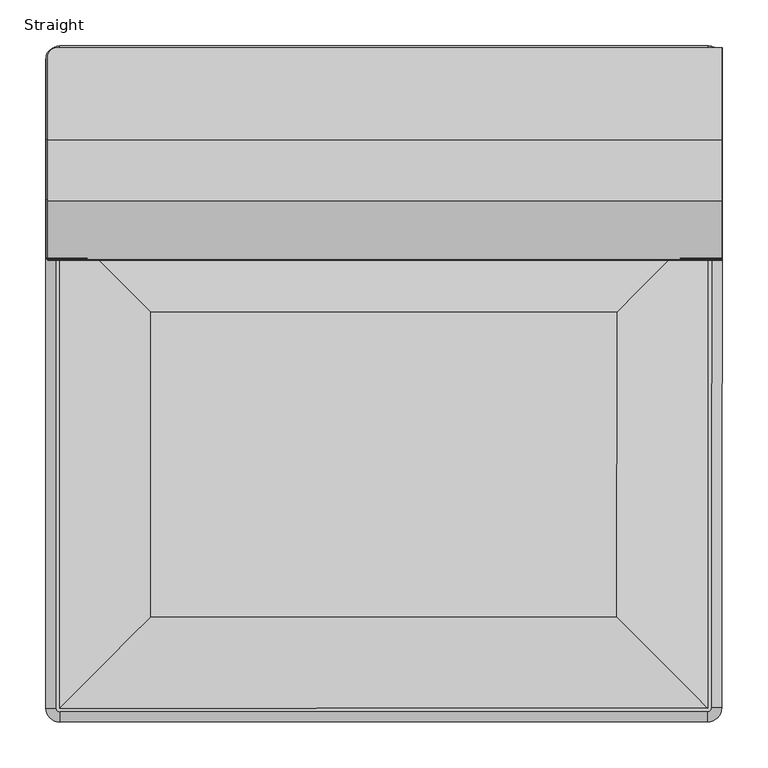
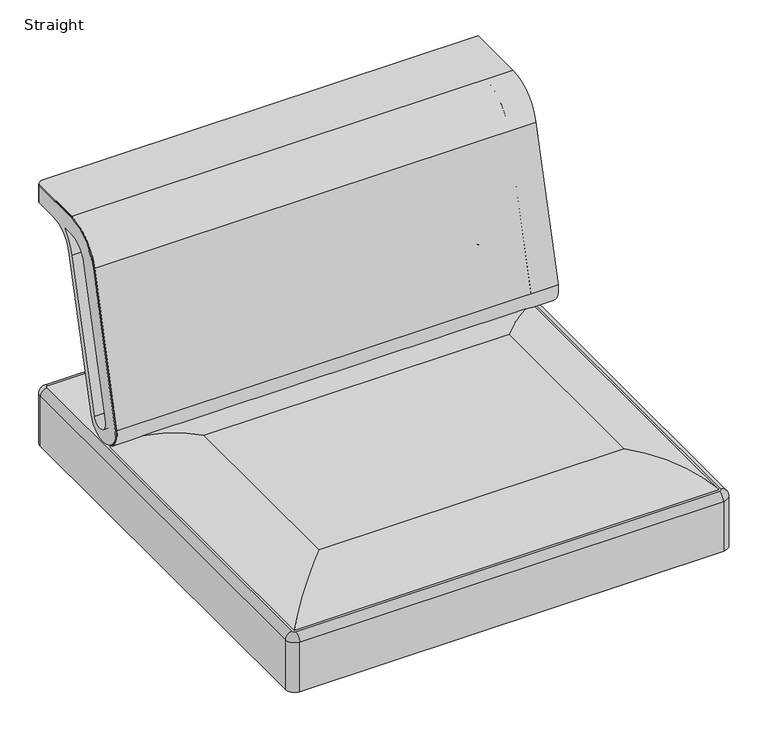
"""IFC4 building model written with IfcOpenShell, lengths in millimetres: furniture geometry, Straight."""

from ifc_helpers import new_model, si_unit, point, frame, origin, place, context, project, spatial, polyline, circle_curve, ellipse_curve, trimmed, outline, extrude, source, transform, mapped, element, save
from ifc_brep_helpers import plane_surface, cylinder_surface, revolved_surface, extruded_surface, advanced_brep


def straight_392923a3(model_context):
    return source(origin(), model_context, "Body", "SolidModel", [
        advanced_brep(
        [(130.5113058, -206.6880744, 407.9918445), (63.4051134, -206.6880744, 407.9918445), (130.5113058, -206.6880744, 381.0), (63.4051134, -206.6880744, 381.0)],
        [
            (0, 1, ellipse_curve(frame((96.9582096, -206.6880744, 407.9918445), z_axis=(0.0, 0.0, 1.0), x_axis=(-1.0, 0.0, 0.0)), 33.5530962, 13.5066429)),
            (1, 0, ellipse_curve(frame((96.9582096, -206.6880744, 407.9918445), z_axis=(0.0, 0.0, 1.0), x_axis=(-1.0, 0.0, 0.0)), 33.5530962, 13.5066429)),
            (2, 3, ellipse_curve(frame((96.9582096, -206.6880744, 381.0), z_axis=(0.0, 0.0, -1.0), x_axis=(-1.0, 0.0, 0.0)), 33.5530962, 13.5066429)),
            (3, 2, ellipse_curve(frame((96.9582096, -206.6880744, 381.0), z_axis=(0.0, 0.0, -1.0), x_axis=(-1.0, 0.0, 0.0)), 33.5530962, 13.5066429)),
            (0, 2),
            (3, 1),
        ],
        [
            plane_surface(frame((63.4051134, -206.6880744, 407.9918445), z_axis=(0.0, 0.0, 1.0), x_axis=(0.0, -1.0, 0.0))),
            plane_surface(frame((63.4051134, -206.6880744, 381.0), z_axis=(0.0, 0.0, -1.0), x_axis=(0.0, 1.0, 0.0))),
            extruded_surface(trimmed(ellipse_curve(frame((96.9582096, -206.6880744, 354.0081555), z_axis=(0.0, 0.0, 1.0), x_axis=(-1.0, 0.0, 0.0)), 33.5530962, 13.5066429), [point((130.5113058, -206.6880744, 354.0081555))], [point((63.4051134, -206.6880744, 354.0081555))], True, "CARTESIAN"), (0.0, 0.0, 26.991844500000013), 26.991844500000013),
            extruded_surface(trimmed(ellipse_curve(frame((96.9582096, -206.6880744, 354.0081555), z_axis=(0.0, 0.0, 1.0), x_axis=(-1.0, 0.0, 0.0)), 33.5530962, 13.5066429), [point((63.4051134, -206.6880744, 354.0081555))], [point((130.5113058, -206.6880744, 354.0081555))], True, "CARTESIAN"), (0.0, 0.0, 26.991844500000013), 26.991844500000013),
        ],
        [
            (0, [[1, 2]]),
            (1, [[3, 4]]),
            (2, [[-1, 5, -4, 6]]),
            (3, [[-2, -6, -3, -5]]),
        ],
    ),
        extrude(outline(polyline([(700.0617181, -54.856228), (700.0617181, -602.7850196), (602.7543219, -700.0924158), (132.574927, -700.0924158), (35.2675285, -602.7850196), (35.2675285, -54.856228), (60.6675292, -80.256231), (60.6675292, -173.6524742), (674.6617423, -173.6524742), (674.6617423, -80.256231), (700.0617181, -54.856228)]), holes=[polyline([(592.2333071, -674.69244), (674.6617423, -592.2640048), (674.6617423, -199.0524682), (60.6675292, -199.0524682), (60.6675292, -592.2640048), (143.0959508, -674.69244), (592.2333071, -674.69244)])]), frame((0.0, 0.0, 282.440064), z_axis=(0.0, 0.0, 1.0), x_axis=(1.0, 0.0, 0.0)), (0.0, 0.0, 1.0), 47.7899994),
        extrude(outline(polyline([(61.8867317, -34.9299279), (673.442558, -34.9299279), (644.669823, -63.7026675), (90.6594713, -63.7026675), (61.8867317, -34.9299279)])), frame((0.0, 0.0, 282.440064), z_axis=(0.0, 0.0, 1.0), x_axis=(1.0, 0.0, 0.0)), (0.0, 0.0, 1.0), 47.7899994),
        advanced_brep(
        [(674.2300558, -206.6880744, 407.9918445), (607.1238634, -206.6880744, 407.9918445), (674.2300558, -206.6880744, 381.0), (607.1238634, -206.6880744, 381.0)],
        [
            (0, 1, ellipse_curve(frame((640.6769596, -206.6880744, 407.9918445), z_axis=(0.0, 0.0, 1.0), x_axis=(-1.0, 0.0, 0.0)), 33.5530962, 13.5066429)),
            (1, 0, ellipse_curve(frame((640.6769596, -206.6880744, 407.9918445), z_axis=(0.0, 0.0, 1.0), x_axis=(-1.0, 0.0, 0.0)), 33.5530962, 13.5066429)),
            (2, 3, ellipse_curve(frame((640.6769596, -206.6880744, 381.0), z_axis=(0.0, 0.0, -1.0), x_axis=(-1.0, 0.0, 0.0)), 33.5530962, 13.5066429)),
            (3, 2, ellipse_curve(frame((640.6769596, -206.6880744, 381.0), z_axis=(0.0, 0.0, -1.0), x_axis=(-1.0, 0.0, 0.0)), 33.5530962, 13.5066429)),
            (0, 2),
            (3, 1),
        ],
        [
            plane_surface(frame((607.1238634, -206.6880744, 407.9918445), z_axis=(0.0, 0.0, 1.0), x_axis=(0.0, -1.0, 0.0))),
            plane_surface(frame((607.1238634, -206.6880744, 381.0), z_axis=(0.0, 0.0, -1.0), x_axis=(0.0, 1.0, 0.0))),
            extruded_surface(trimmed(ellipse_curve(frame((640.6769596, -206.6880744, 354.0081555), z_axis=(0.0, 0.0, 1.0), x_axis=(-1.0, 0.0, 0.0)), 33.5530962, 13.5066429), [point((674.2300558, -206.6880744, 354.0081555))], [point((607.1238634, -206.6880744, 354.0081555))], True, "CARTESIAN"), (0.0, 0.0, 26.991844500000013), 26.991844500000013),
            extruded_surface(trimmed(ellipse_curve(frame((640.6769596, -206.6880744, 354.0081555), z_axis=(0.0, 0.0, 1.0), x_axis=(-1.0, 0.0, 0.0)), 33.5530962, 13.5066429), [point((607.1238634, -206.6880744, 354.0081555))], [point((674.2300558, -206.6880744, 354.0081555))], True, "CARTESIAN"), (0.0, 0.0, 26.991844500000013), 26.991844500000013),
        ],
        [
            (0, [[1, 2]]),
            (1, [[3, 4]]),
            (2, [[-1, 5, -4, 6]]),
            (3, [[-2, -6, -3, -5]]),
        ],
    ),
        advanced_brep(
        [(736.2177921, -721.0125213, 369.57), (736.2177921, -721.0125213, 282.440064), (736.5919407, -15.2480792, 282.440064), (736.5919407, -15.2480792, 369.57), (722.1505272, -15.2404234, 282.440064), (721.7763786, -721.0048654, 282.440064), (721.7763786, -721.0048654, 335.7265923), (722.1505272, -15.2404234, 335.7265923), (721.3519429, 0.0, 369.57), (721.3519429, 0.0, 282.440064), (15.24, 0.0, 282.440064), (15.24, 0.0, 369.57), (15.24, -14.4414156, 282.440064), (721.3519429, -14.4414156, 282.440064), (721.3519429, -14.4414156, 335.7265923), (15.24, -14.4414156, 335.7265923), (0.0, -15.24, 369.57), (0.0, -15.24, 282.440064), (0.0, -721.3525061, 282.440064), (0.0, -721.3525061, 369.57), (14.4414156, -721.3525061, 282.440064), (14.4414156, -15.24, 282.440064), (14.4414156, -15.24, 335.7265923), (14.4414156, -721.3525061, 335.7265923), (15.2475162, -736.5925043, 369.57), (15.2475162, -736.5925043, 282.440064), (720.9853105, -736.2444402, 282.440064), (720.9853105, -736.2444402, 369.57), (720.9781881, -721.8030264, 282.440064), (15.2403939, -722.1510905, 282.440064), (15.2403939, -722.1510905, 335.7265923), (720.9781881, -721.8030264, 335.7265923), (721.3519429, -11.43, 381.0), (15.24, -11.43, 381.0), (11.43, -15.24, 381.0), (11.43, -721.3525061, 381.0), (15.2418791, -725.1625057, 381.0), (720.9796733, -724.8144416, 381.0), (724.7877937, -721.0064619, 381.0), (725.1619423, -15.2420198, 381.0)],
        [
            (0, 1),
            (1, 2),
            (2, 3),
            (3, 0),
            (4, 5),
            (5, 6),
            (6, 7),
            (7, 4),
            (8, 9),
            (9, 10),
            (10, 11),
            (11, 8),
            (12, 13),
            (13, 14),
            (14, 15),
            (15, 12),
            (16, 17),
            (17, 18),
            (18, 19),
            (19, 16),
            (20, 21),
            (21, 22),
            (22, 23),
            (23, 20),
            (24, 25),
            (25, 26),
            (26, 27),
            (27, 24),
            (28, 29),
            (29, 30),
            (30, 31),
            (31, 28),
            (6, 31, circle_curve(frame((720.9777943, -721.0044421, 335.7265923), z_axis=(0.0, 0.0, -1.0), x_axis=(0.0004931917174324377, -0.9999998783809575, 0.0)), 0.7985844)),
            (30, 23, circle_curve(frame((15.24, -721.3525061, 335.7265923), z_axis=(0.0, 0.0, -1.0), x_axis=(-1.0, 0.0, 0.0)), 0.7985844)),
            (22, 15, circle_curve(frame((15.24, -15.24, 335.7265923), z_axis=(0.0, 0.0, -1.0), x_axis=(0.0, 1.0, 0.0)), 0.7985844)),
            (14, 7, circle_curve(frame((721.3519429, -15.24, 335.7265923), z_axis=(0.0, 0.0, -1.0), x_axis=(0.9999998594798424, -0.0005301323377194341, 0.0)), 0.7985844)),
            (0, 27, circle_curve(frame((720.9777943, -721.0044421, 369.57), z_axis=(0.0, 0.0, -1.0), x_axis=(0.0004931917174324377, -0.9999998783809575, 0.0)), 15.24)),
            (26, 1, circle_curve(frame((720.9777943, -721.0044421, 282.440064), z_axis=(0.0, 0.0, 1.0), x_axis=(0.0004931917174324377, -0.9999998783809575, 0.0)), 15.24)),
            (5, 28, circle_curve(frame((720.9777943, -721.0044421, 282.440064), z_axis=(0.0, 0.0, -1.0), x_axis=(0.0004931917174324377, -0.9999998783809575, 0.0)), 0.7985844)),
            (2, 9, circle_curve(frame((721.3519429, -15.24, 282.440064), z_axis=(0.0, 0.0, 1.0), x_axis=(0.9999998594798424, -0.0005301323377194341, 0.0)), 15.24)),
            (8, 3, circle_curve(frame((721.3519429, -15.24, 369.57), z_axis=(0.0, 0.0, -1.0), x_axis=(0.9999998594798424, -0.0005301323377194341, 0.0)), 15.24)),
            (13, 4, circle_curve(frame((721.3519429, -15.24, 282.440064), z_axis=(0.0, 0.0, -1.0), x_axis=(0.9999998594798424, -0.0005301323377194341, 0.0)), 0.7985844)),
            (10, 17, circle_curve(frame((15.24, -15.24, 282.440064), z_axis=(0.0, 0.0, 1.0), x_axis=(0.0, 1.0, 0.0)), 15.24)),
            (16, 11, circle_curve(frame((15.24, -15.24, 369.57), z_axis=(0.0, 0.0, -1.0), x_axis=(0.0, 1.0, 0.0)), 15.24)),
            (21, 12, circle_curve(frame((15.24, -15.24, 282.440064), z_axis=(0.0, 0.0, -1.0), x_axis=(0.0, 1.0, 0.0)), 0.7985844)),
            (18, 25, circle_curve(frame((15.24, -721.3525061, 282.440064), z_axis=(0.0, 0.0, 1.0), x_axis=(-1.0, 0.0, 0.0)), 15.24)),
            (24, 19, circle_curve(frame((15.24, -721.3525061, 369.57), z_axis=(0.0, 0.0, -1.0), x_axis=(-1.0, 0.0, 0.0)), 15.24)),
            (32, 33),
            (33, 34, circle_curve(frame((15.24, -15.24, 381.0), z_axis=(0.0, 0.0, 1.0), x_axis=(0.0, 1.0, 0.0)), 3.81)),
            (34, 35),
            (35, 36, circle_curve(frame((15.24, -721.3525061, 381.0), z_axis=(0.0, 0.0, 1.0), x_axis=(-1.0, 0.0, 0.0)), 3.81)),
            (36, 37),
            (37, 38, circle_curve(frame((720.9777943, -721.0044421, 381.0), z_axis=(0.0, 0.0, 1.0), x_axis=(0.0004931917174324377, -0.9999998783809575, 0.0)), 3.81)),
            (38, 39),
            (39, 32, circle_curve(frame((721.3519429, -15.24, 381.0), z_axis=(0.0, 0.0, 1.0), x_axis=(0.9999998594798424, -0.0005301323377194341, 0.0)), 3.81)),
            (29, 20, circle_curve(frame((15.24, -721.3525061, 282.440064), z_axis=(0.0, 0.0, -1.0), x_axis=(-1.0, 0.0, 0.0)), 0.7985844)),
            (0, 38, circle_curve(frame((724.7877937, -721.0064619, 369.57), z_axis=(-0.0005301323376879039, -0.9999998594798424, 0.0), x_axis=(-0.9999998594798424, 0.0005301323376879039, 0.0)), 11.43)),
            (37, 27, circle_curve(frame((720.9796733, -724.8144416, 369.57), z_axis=(0.9999998783809575, 0.0004931917174324375, 0.0), x_axis=(-0.0004931917174324375, 0.9999998783809575, 0.0)), 11.43)),
            (3, 39, circle_curve(frame((725.1619423, -15.2420198, 369.57), z_axis=(-0.0005301323376817311, -0.9999998594798425, 0.0), x_axis=(-0.9999998594798425, 0.0005301323376817311, 0.0)), 11.43)),
            (8, 32, circle_curve(frame((721.3519429, -11.43, 369.57), z_axis=(1.0, 0.0, 0.0), x_axis=(0.0, -1.0, 0.0)), 11.43)),
            (11, 33, circle_curve(frame((15.24, -11.43, 369.57), z_axis=(1.0, 0.0, 0.0), x_axis=(0.0, -1.0, 0.0)), 11.43)),
            (16, 34, circle_curve(frame((11.43, -15.24, 369.57), z_axis=(0.0, 1.0, 0.0), x_axis=(1.0, 0.0, 0.0)), 11.43)),
            (19, 35, circle_curve(frame((11.43, -721.3525061, 369.57), z_axis=(0.0, 1.0, 0.0), x_axis=(1.0, 0.0, 0.0)), 11.43)),
            (24, 36, circle_curve(frame((15.2418791, -725.1625057, 369.57), z_axis=(-0.9999998783809575, -0.0004931917174333255, 0.0), x_axis=(-0.0004931917174333255, 0.9999998783809575, 0.0)), 11.43)),
        ],
        [
            plane_surface(frame((736.2177921, -721.0125213, 282.440064), z_axis=(0.9999998594798424, -0.0005301323376816982, 0.0), x_axis=(0.0005301323376816982, 0.9999998594798424, 0.0))),
            plane_surface(frame((721.7763786, -721.0048654, 381.0), z_axis=(-0.9999998594798424, 0.0005301323376816982, 0.0), x_axis=(0.0005301323376816982, 0.9999998594798424, 0.0))),
            plane_surface(frame((721.3519429, 0.0, 282.440064), z_axis=(0.0, 1.0, 0.0), x_axis=(-1.0, 0.0, 0.0))),
            plane_surface(frame((721.3519429, -14.4414156, 381.0), z_axis=(0.0, -1.0, 0.0), x_axis=(-1.0, 0.0, 0.0))),
            plane_surface(frame((0.0, -15.24, 282.440064), z_axis=(-1.0, 0.0, 0.0), x_axis=(0.0, -1.0, 0.0))),
            plane_surface(frame((14.4414156, -15.24, 381.0), z_axis=(1.0, 0.0, 0.0), x_axis=(0.0, -1.0, 0.0))),
            plane_surface(frame((15.2475162, -736.5925043, 282.440064), z_axis=(0.0004931917174394407, -0.9999998783809576, 0.0), x_axis=(0.9999998783809576, 0.0004931917174394407, 0.0))),
            plane_surface(frame((15.2403939, -722.1510905, 381.0), z_axis=(-0.0004931917174394408, 0.9999998783809576, 0.0), x_axis=(0.9999998783809576, 0.0004931917174394408, 0.0))),
            plane_surface(frame((14.4414156, -721.3525061, 335.7265923), z_axis=(0.0, 0.0, -1.0), x_axis=(0.0, 1.0, 0.0))),
            cylinder_surface(frame((720.9777943, -721.0044421, 381.0), z_axis=(0.0, 0.0, 1.0), x_axis=(0.0004931917174324377, -0.9999998783809575, 0.0)), 15.24),
            revolved_surface(polyline([(720.9781881552118, -721.803026402877, 335.7265923), (720.9781881552118, -721.803026402877, 282.440064)]), (720.9777943, -721.0044421, 381.0), (0.0, 0.0, 1.0)),
            cylinder_surface(frame((721.3519429, -15.24, 381.0), z_axis=(0.0, 0.0, 1.0), x_axis=(0.9999998594798424, -0.0005301323377194341, 0.0)), 15.24),
            revolved_surface(polyline([(722.1505271877828, -15.240423355414839, 335.7265923), (722.1505271877828, -15.240423355414839, 282.440064)]), (721.3519429, -15.24, 381.0), (0.0, 0.0, 1.0)),
            cylinder_surface(frame((15.24, -15.24, 381.0), z_axis=(0.0, 0.0, 1.0), x_axis=(0.0, 1.0, 0.0)), 15.24),
            revolved_surface(polyline([(15.24, -14.441415600000001, 335.7265923), (15.24, -14.441415600000001, 282.440064)]), (15.24, -15.24, 381.0), (0.0, 0.0, 1.0)),
            cylinder_surface(frame((15.24, -721.3525061, 381.0), z_axis=(0.0, 0.0, 1.0), x_axis=(-1.0, 0.0, 0.0)), 15.24),
            plane_surface(frame((15.24, -721.3525061, 381.0), z_axis=(0.0, 0.0, 1.0), x_axis=(-1.0, 0.0, 0.0))),
            revolved_surface(polyline([(14.441415600000001, -721.3525061, 335.7265923), (14.441415600000001, -721.3525061, 282.440064)]), (15.24, -721.3525061, 381.0), (0.0, 0.0, 1.0)),
            plane_surface(frame((15.24, -721.3525061, 282.440064), z_axis=(0.0, 0.0, -1.0), x_axis=(-1.0, 0.0, 0.0))),
            revolved_surface(trimmed(ellipse_curve(frame((720.9796733, -724.8144416, 369.57), z_axis=(-0.9999998783809575, -0.0004931917174324375, 0.0), x_axis=(-0.0004931917174324375, 0.9999998783809575, 0.0)), 11.43, 11.43), [point((720.9853105, -736.2444402, 369.57))], [point((720.9796733, -724.8144416, 381.0))], True, "CARTESIAN"), (720.9777943, -721.0044421, 381.0), (0.0, 0.0, 1.0)),
            cylinder_surface(frame((724.7877937, -721.0064619, 369.57), z_axis=(-0.0005301323376817311, -0.9999998594798425, 0.0), x_axis=(-0.9999998594798425, 0.0005301323376817311, 0.0)), 11.43),
            revolved_surface(trimmed(ellipse_curve(frame((725.1619423, -15.2420198, 369.57), z_axis=(-0.0005301323377194344, -0.9999998594798424, 0.0), x_axis=(-0.9999998594798424, 0.0005301323377194344, 0.0)), 11.43, 11.43), [point((736.5919407, -15.2480792, 369.57))], [point((725.1619423, -15.2420198, 381.0))], True, "CARTESIAN"), (721.3519429, -15.24, 381.0), (0.0, 0.0, 1.0)),
            cylinder_surface(frame((721.3519429, -11.43, 369.57), z_axis=(1.0, 0.0, 0.0), x_axis=(0.0, -1.0, 0.0)), 11.43),
            revolved_surface(trimmed(ellipse_curve(frame((15.24, -11.43, 369.57), z_axis=(1.0, 0.0, 0.0), x_axis=(0.0, -1.0, 0.0)), 11.43, 11.43), [point((15.24, 0.0, 369.57))], [point((15.24, -11.43, 381.0))], True, "CARTESIAN"), (15.24, -15.24, 381.0), (0.0, 0.0, 1.0)),
            cylinder_surface(frame((11.43, -15.24, 369.57), z_axis=(0.0, 1.0, 0.0), x_axis=(1.0, 0.0, 0.0)), 11.43),
            revolved_surface(trimmed(ellipse_curve(frame((11.43, -721.3525061, 369.57), z_axis=(0.0, 1.0, 0.0), x_axis=(1.0, 0.0, 0.0)), 11.43, 11.43), [point((0.0, -721.3525061, 369.57))], [point((11.43, -721.3525061, 381.0))], True, "CARTESIAN"), (15.24, -721.3525061, 381.0), (0.0, 0.0, 1.0)),
            cylinder_surface(frame((15.2418791, -725.1625057, 369.57), z_axis=(-0.9999998783809575, -0.0004931917174395179, 0.0), x_axis=(-0.0004931917174395179, 0.9999998783809575, 0.0)), 11.43),
        ],
        [
            (0, [[1, 2, 3, 4]]),
            (1, [[5, 6, 7, 8]]),
            (2, [[9, 10, 11, 12]]),
            (3, [[13, 14, 15, 16]]),
            (4, [[17, 18, 19, 20]]),
            (5, [[21, 22, 23, 24]]),
            (6, [[25, 26, 27, 28]]),
            (7, [[29, 30, 31, 32]]),
            (8, [[-7, 33, -31, 34, -23, 35, -15, 36]]),
            (9, [[-1, 37, -27, 38]]),
            (10, [[39, -32, -33, -6]]),
            (11, [[-3, 40, -9, 41]]),
            (12, [[42, -8, -36, -14]]),
            (13, [[-11, 43, -17, 44]]),
            (14, [[45, -16, -35, -22]]),
            (15, [[-19, 46, -25, 47]]),
            (16, [[48, 49, 50, 51, 52, 53, 54, 55]]),
            (17, [[56, -24, -34, -30]]),
            (18, [[-2, -38, -26, -46, -18, -43, -10, -40], [-5, -42, -13, -45, -21, -56, -29, -39]]),
            (19, [[-37, 57, -53, 58]]),
            (20, [[-4, 59, -54, -57]]),
            (21, [[-41, 60, -55, -59]]),
            (22, [[-12, 61, -48, -60]]),
            (23, [[-44, 62, -49, -61]]),
            (24, [[-20, 63, -50, -62]]),
            (25, [[-47, 64, -51, -63]]),
            (26, [[-28, -58, -52, -64]]),
        ],
    ),
        advanced_brep(
        [(8.7133435, -3.7996752, 708.7959054), (8.7133435, -3.7996752, 737.5906605), (45.3061547, -3.7996752, 737.5906605), (45.3061547, -3.7996752, 708.7959054), (0.2431856, -12.2698331, 737.5906605), (0.2431856, -12.2698331, 708.7959054), (0.2431856, -53.100178, 708.7959054), (0.2431856, -97.1023911, 674.773786), (0.2431856, -161.7026996, 426.3828199), (0.2431856, -231.4428526, 440.2076474), (0.2431856, -167.4345783, 687.1662499), (0.2431856, -102.2746881, 737.5906605), (0.2431856, -171.4729752, 429.4464979), (0.2431856, -107.3108049, 673.4490824), (0.2431856, -87.0042139, 708.7959054), (0.2431856, -102.6970675, 708.7959054), (0.2431856, -139.6020491, 680.1633412), (0.2431856, -201.8928255, 437.3478617), (45.3061547, -102.2746881, 737.5906605), (45.3061547, -167.4345783, 687.1662499), (45.3061547, -231.4428526, 440.2076474), (45.3061547, -161.7026996, 426.3828199), (45.3061547, -97.1023911, 674.773786), (45.3061547, -53.100178, 708.7959054), (45.3061547, -171.4729752, 429.4464979), (45.3061547, -201.8928255, 437.3478617), (45.3061547, -139.6020491, 680.1633412), (45.3061547, -102.6970675, 708.7959054), (45.3061547, -87.0042139, 708.7959054), (45.3061547, -107.3108049, 673.4490824)],
        [
            (0, 1),
            (1, 2),
            (2, 3),
            (3, 0),
            (4, 5),
            (5, 6),
            (6, 7, circle_curve(frame((0.2431856, -53.100178, 663.3299054), z_axis=(1.0, 0.0, 0.0), x_axis=(0.0, -1.0, 0.0)), 45.466)),
            (7, 8),
            (8, 9, circle_curve(frame((0.2431856, -196.1662588, 435.345934), z_axis=(-1.0, 0.0, 0.0), x_axis=(0.0, -1.0, 0.0)), 35.6100313)),
            (9, 10),
            (10, 11, circle_curve(frame((0.2431856, -102.2746881, 670.2777023), z_axis=(-1.0, 0.0, 0.0), x_axis=(0.0, -1.0, 0.0)), 67.3129582)),
            (11, 4),
            (12, 13),
            (13, 14, circle_curve(frame((0.2431856, -31.8580813, 653.6082659), z_axis=(-1.0, 0.0, 0.0), x_axis=(0.0, -1.0, 0.0)), 78.017764)),
            (14, 15),
            (15, 16, circle_curve(frame((0.2431856, -102.6970675, 670.6959054), z_axis=(1.0, 0.0, 0.0), x_axis=(0.0, -1.0, 0.0)), 38.1)),
            (16, 17),
            (17, 12, circle_curve(frame((0.2431856, -186.6710175, 433.4429284), z_axis=(1.0, 0.0, 0.0), x_axis=(0.0, -1.0, 0.0)), 15.7147047)),
            (0, 5, circle_curve(frame((8.7133435, -12.2698331, 708.7959054), z_axis=(0.0, 0.0, 1.0), x_axis=(0.0, -1.0, 0.0)), 8.4701579)),
            (4, 1, circle_curve(frame((8.7133435, -12.2698331, 737.5906605), z_axis=(0.0, 0.0, -1.0), x_axis=(0.0, -1.0, 0.0)), 8.4701579)),
            (18, 19, circle_curve(frame((45.3061547, -102.2746881, 670.2777023), z_axis=(1.0, 0.0, 0.0), x_axis=(0.0, -1.0, 0.0)), 67.3129582)),
            (19, 20),
            (20, 21, circle_curve(frame((45.3061547, -196.1662588, 435.345934), z_axis=(1.0, 0.0, 0.0), x_axis=(0.0, -1.0, 0.0)), 35.6100313)),
            (21, 22),
            (22, 23, circle_curve(frame((45.3061547, -53.100178, 663.3299054), z_axis=(-1.0, 0.0, 0.0), x_axis=(0.0, -1.0, 0.0)), 45.466)),
            (23, 3),
            (2, 18),
            (24, 25, circle_curve(frame((45.3061547, -186.6710175, 433.4429284), z_axis=(-1.0, 0.0, 0.0), x_axis=(0.0, -1.0, 0.0)), 15.7147047)),
            (25, 26),
            (26, 27, circle_curve(frame((45.3061547, -102.6970675, 670.6959054), z_axis=(-1.0, 0.0, 0.0), x_axis=(0.0, -1.0, 0.0)), 38.1)),
            (27, 28),
            (28, 29, circle_curve(frame((45.3061547, -31.8580813, 653.6082659), z_axis=(1.0, 0.0, 0.0), x_axis=(0.0, -1.0, 0.0)), 78.017764)),
            (29, 24),
            (29, 13),
            (12, 24),
            (28, 14),
            (27, 15),
            (26, 16),
            (25, 17),
            (23, 6),
            (22, 7),
            (21, 8),
            (20, 9),
            (19, 10),
            (18, 11),
        ],
        [
            plane_surface(frame((8.7133435, -3.7996752, 973.8090426), z_axis=(0.0, 1.0, 0.0), x_axis=(0.0, 0.0, -1.0))),
            plane_surface(frame((0.2431856, -269.5872418, 973.8090426), z_axis=(-1.0, 0.0, 0.0), x_axis=(0.0, 0.0, -1.0))),
            cylinder_surface(frame((8.7133435, -12.2698331, 381.0), z_axis=(0.0, 0.0, -1.0), x_axis=(0.0, -1.0, 0.0)), 8.4701579),
            plane_surface(frame((45.3061547, -107.3108049, 673.4490824), z_axis=(1.0, 0.0, 0.0), x_axis=(0.0, -0.25431152451274314, -0.9671223544619391))),
            plane_surface(frame((0.0179306, -171.4729752, 429.4464979), z_axis=(0.0, -0.9671223544619391, 0.25431152451274314), x_axis=(1.0, 0.0, 0.0))),
            cylinder_surface(frame((45.3061547, -31.8580813, 653.6082659), z_axis=(-1.0, 0.0, 0.0), x_axis=(0.0, -1.0, 0.0)), 78.017764),
            plane_surface(frame((0.0179306, -87.0042139, 708.7959054), z_axis=(0.0, 0.0, -1.0), x_axis=(1.0, 0.0, 0.0))),
            revolved_surface(polyline([(45.3061547, -140.7970675, 670.6959054), (0.24318559999999678, -140.7970675, 670.6959054)]), (45.3061547, -102.6970675, 670.6959054), (1.0, 0.0, 0.0)),
            plane_surface(frame((0.0179306, -139.6020491, 680.1633412), z_axis=(0.0, 0.9686346852607106, -0.24848912754863975), x_axis=(1.0, 0.0, 0.0))),
            revolved_surface(polyline([(45.3061547, -202.3857222, 433.4429284), (0.24318559999999678, -202.3857222, 433.4429284)]), (45.3061547, -186.6710175, 433.4429284), (1.0, 0.0, 0.0)),
            plane_surface(frame((0.0179306, 389.9619865, 708.7959054), z_axis=(0.0, 0.0, -1.0), x_axis=(1.0, 0.0, 0.0))),
            revolved_surface(polyline([(45.30615469999998, -98.56617800000001, 663.3299054), (0.24318560000006073, -98.56617800000001, 663.3299054)]), (1248.3078399, -53.100178, 663.3299054), (1.0, 0.0, 0.0)),
            plane_surface(frame((0.0179306, -97.1023911, 674.773786), z_axis=(0.0, 0.9678048005641992, -0.25170194279125235), x_axis=(1.0, 0.0, 0.0))),
            cylinder_surface(frame((1248.3078399, -196.1662588, 435.345934), z_axis=(-1.0, 0.0, 0.0), x_axis=(0.0, -1.0, 0.0)), 35.6100313),
            plane_surface(frame((0.0179306, -231.4428526, 440.2076474), z_axis=(0.0, -0.9680140645770982, 0.2508959361586508), x_axis=(1.0, 0.0, 0.0))),
            cylinder_surface(frame((1248.3078399, -102.2746881, 670.2777023), z_axis=(-1.0, 0.0, 0.0), x_axis=(0.0, -1.0, 0.0)), 67.3129582),
            plane_surface(frame((0.0179306, -102.2746881, 737.5906605), z_axis=(0.0, 0.0, 1.0), x_axis=(1.0, 0.0, 0.0))),
        ],
        [
            (0, [[1, 2, 3, 4]]),
            (1, [[5, 6, 7, 8, 9, 10, 11, 12], [13, 14, 15, 16, 17, 18]]),
            (2, [[-1, 19, -5, 20]]),
            (3, [[21, 22, 23, 24, 25, 26, -3, 27], [28, 29, 30, 31, 32, 33]]),
            (4, [[-33, 34, -13, 35]]),
            (5, [[-32, 36, -14, -34]]),
            (6, [[-31, 37, -15, -36]]),
            (7, [[-30, 38, -16, -37]]),
            (8, [[-29, 39, -17, -38]]),
            (9, [[-28, -35, -18, -39]]),
            (10, [[-26, 40, -6, -19, -4]]),
            (11, [[-25, 41, -7, -40]]),
            (12, [[-24, 42, -8, -41]]),
            (13, [[-23, 43, -9, -42]]),
            (14, [[-22, 44, -10, -43]]),
            (15, [[-21, 45, -11, -44]]),
            (16, [[-27, -2, -20, -12, -45]]),
        ],
    ),
        advanced_brep(
        [(14.4414156, -189.5534219, 381.0), (114.2732221, -289.3852285, 427.8106965), (622.1733736, -289.3852285, 427.8106965), (722.0581182, -189.5534219, 381.0), (621.9970331, -622.0200244, 427.8106965), (721.7759557, -721.8026329, 381.0), (114.2732221, -622.2704296, 427.8106965), (14.4414156, -722.1514845, 381.0)],
        [
            (0, 1, ellipse_curve(frame((114.2732221, -289.3852285, 297.9511579), z_axis=(0.707106781186553, 0.707106781186542, 0.0), x_axis=(-0.7071067811865421, 0.7071067811865529, 0.0)), 183.6491207, 129.8595386)),
            (1, 2),
            (2, 3, ellipse_curve(frame((622.1733736, -289.3852285, 297.9511579), z_axis=(-0.7069193262538176, 0.7072941864378983, 0.0), x_axis=(-0.7072941864378984, -0.7069193262538176, 0.0)), 183.6978192, 129.8595386)),
            (3, 0),
            (2, 4),
            (4, 5, ellipse_curve(frame((621.9970331, -622.0200244, 297.9511579), z_axis=(0.7071198415491786, 0.7070937205826853, 0.0), x_axis=(-0.7070937205826854, 0.7071198415491785, 0.0)), 183.5552265, 129.8595386)),
            (5, 3),
            (4, 6),
            (6, 7, ellipse_curve(frame((114.2732221, -622.2704296, 297.9511579), z_axis=(0.7072811292963499, -0.7069323900779197, 0.0), x_axis=(0.7069323900779195, 0.7072811292963499, 0.0)), 183.6944246, 129.8595386)),
            (7, 5),
            (1, 6),
            (0, 7),
        ],
        [
            cylinder_surface(frame((14.4414156, -289.3852285, 297.9511579), z_axis=(-1.0, 0.0, 0.0), x_axis=(0.0, 1.0, 0.0)), 129.8595386),
            cylinder_surface(frame((622.2263257, -189.5004979, 297.9511579), z_axis=(0.0005301323376814449, 0.9999998594798424, 0.0), x_axis=(0.9999998594798424, -0.0005301323376814449, 0.0)), 129.8595386),
            cylinder_surface(frame((721.7267194, -621.9708386, 297.9511579), z_axis=(0.9999998783809576, 0.0004931917174396061, 0.0), x_axis=(0.0004931917174396061, -0.9999998783809576, 0.0)), 129.8595386),
            plane_surface(frame((119.1091968, -617.4320693, 427.8106965), z_axis=(0.0, 0.0, 1.0), x_axis=(0.0, 1.0, 0.0))),
            cylinder_surface(frame((114.2732221, -722.1514845, 297.9511579), z_axis=(0.0, -1.0, 0.0), x_axis=(-1.0, 0.0, 0.0)), 129.8595386),
            plane_surface(frame((14.4414156, -722.1514845, 381.0), z_axis=(0.0, 0.0, -1.0), x_axis=(0.0, 1.0, 0.0))),
        ],
        [
            (0, [[1, 2, 3, 4]]),
            (1, [[-3, 5, 6, 7]]),
            (2, [[-6, 8, 9, 10]]),
            (3, [[-2, 11, -8, -5]]),
            (4, [[-1, 12, -9, -11]]),
            (5, [[-4, -7, -10, -12]]),
        ],
    ),
        advanced_brep(
        [(2.0161129, -12.3291256, 737.5906605), (2.0161129, -12.3291256, 708.7959054), (2.0161129, -53.3765137, 708.7959054), (2.0161129, -97.3787267, 674.773786), (2.0161129, -162.2312255, 425.4131377), (2.0161129, -230.6802281, 443.1845957), (2.0161129, -167.7388595, 686.0268313), (2.0161129, -101.1065794, 737.5906605), (2.0161129, -171.7493109, 429.4464979), (2.0161129, -107.5871405, 673.4490824), (2.0161129, -87.2805495, 708.7959054), (2.0161129, -102.9734032, 708.7959054), (2.0161129, -139.8783847, 680.1633412), (2.0161129, -202.1691612, 437.3478617), (12.3761972, -1.9690413, 708.7959054), (12.3761972, -1.9690413, 737.5906605), (736.6000242, -1.9690413, 737.5906605), (736.6000242, -1.9690413, 708.7959054), (736.6000242, -53.100178, 708.7959054), (691.3118002, -53.100178, 708.7959054), (691.3118002, -16.9225576, 708.7959054), (40.9527647, -16.9225576, 708.7959054), (40.9527647, -53.3765137, 708.7959054), (691.3118002, -102.2746881, 737.5906605), (736.6000242, -102.2746881, 737.5906605), (40.9527647, -101.1065794, 737.5906605), (40.9527647, -16.9225576, 737.5906605), (691.3118002, -16.9225576, 737.5906605), (691.3118002, -97.1023911, 674.773786), (691.3118002, -161.7026996, 426.3828199), (691.3118002, -231.4428526, 440.2076474), (691.3118002, -167.4345783, 687.1662499), (691.3118002, -171.4729752, 429.4464979), (691.3118002, -107.3108049, 673.4490824), (691.3118002, -87.0042139, 708.7959054), (691.3118002, -102.6970675, 708.7959054), (691.3118002, -139.6020491, 680.1633412), (691.3118002, -201.8928255, 437.3478617), (736.6000242, -167.4345783, 687.1662499), (736.6000242, -231.4428526, 440.2076474), (736.6000242, -161.7026996, 426.3828199), (736.6000242, -97.1023911, 674.773786), (736.6000242, -171.4729752, 429.4464979), (736.6000242, -201.8928255, 437.3478617), (736.6000242, -139.6020491, 680.1633412), (736.6000242, -102.6970675, 708.7959054), (736.6000242, -87.0042139, 708.7959054), (736.6000242, -107.3108049, 673.4490824), (40.9527647, -167.7388595, 686.0268313), (40.9527647, -230.6802281, 443.1845957), (40.9527647, -162.2312255, 425.4131377), (40.9527647, -97.3787267, 674.773786), (40.9527647, -171.7493109, 429.4464979), (40.9527647, -202.1691612, 437.3478617), (40.9527647, -139.8783847, 680.1633412), (40.9527647, -102.9734032, 708.7959054), (40.9527647, -87.2805495, 708.7959054), (40.9527647, -107.5871405, 673.4490824)],
        [
            (0, 1),
            (1, 2),
            (2, 3, circle_curve(frame((2.0161129, -53.3765137, 663.3299054), z_axis=(1.0, 0.0, 0.0), x_axis=(0.0, -1.0, 0.0)), 45.466)),
            (3, 4),
            (4, 5, circle_curve(frame((2.0161129, -196.4520271, 434.3131166), z_axis=(-1.0, 0.0, 0.0), x_axis=(0.0, -1.0, 0.0)), 35.359198)),
            (5, 6),
            (6, 7, circle_curve(frame((2.0161129, -101.1065794, 668.7566605), z_axis=(-1.0, 0.0, 0.0), x_axis=(0.0, -1.0, 0.0)), 68.834)),
            (7, 0),
            (8, 9),
            (9, 10, circle_curve(frame((2.0161129, -32.1344169, 653.6082659), z_axis=(-1.0, 0.0, 0.0), x_axis=(0.0, -1.0, 0.0)), 78.017764)),
            (10, 11),
            (11, 12, circle_curve(frame((2.0161129, -102.9734032, 670.6959054), z_axis=(1.0, 0.0, 0.0), x_axis=(0.0, -1.0, 0.0)), 38.1)),
            (12, 13),
            (13, 8, circle_curve(frame((2.0161129, -186.9473531, 433.4429284), z_axis=(1.0, 0.0, 0.0), x_axis=(0.0, -1.0, 0.0)), 15.7147047)),
            (14, 15),
            (15, 16),
            (16, 17),
            (17, 14),
            (14, 1, circle_curve(frame((12.3761972, -12.3291256, 708.7959054), z_axis=(0.0, 0.0, 1.0), x_axis=(1.0, 0.0, 0.0)), 10.3600843)),
            (0, 15, circle_curve(frame((12.3761972, -12.3291256, 737.5906605), z_axis=(0.0, 0.0, -1.0), x_axis=(1.0, 0.0, 0.0)), 10.3600843)),
            (18, 19),
            (19, 20),
            (20, 21),
            (21, 22),
            (22, 2),
            (17, 18),
            (23, 24),
            (24, 16),
            (7, 25),
            (25, 26),
            (26, 27),
            (27, 23),
            (20, 27),
            (26, 21),
            (19, 28, circle_curve(frame((691.3118002, -53.100178, 663.3299054), z_axis=(1.0, 0.0, 0.0), x_axis=(0.0, -1.0, 0.0)), 45.466)),
            (28, 29),
            (29, 30, circle_curve(frame((691.3118002, -196.1662588, 435.345934), z_axis=(-1.0, 0.0, 0.0), x_axis=(0.0, -1.0, 0.0)), 35.6100313)),
            (30, 31),
            (31, 23, circle_curve(frame((691.3118002, -102.2746881, 670.2777023), z_axis=(-1.0, 0.0, 0.0), x_axis=(0.0, -1.0, 0.0)), 67.3129582)),
            (32, 33),
            (33, 34, circle_curve(frame((691.3118002, -31.8580813, 653.6082659), z_axis=(-1.0, 0.0, 0.0), x_axis=(0.0, -1.0, 0.0)), 78.017764)),
            (34, 35),
            (35, 36, circle_curve(frame((691.3118002, -102.6970675, 670.6959054), z_axis=(1.0, 0.0, 0.0), x_axis=(0.0, -1.0, 0.0)), 38.1)),
            (36, 37),
            (37, 32, circle_curve(frame((691.3118002, -186.6710175, 433.4429284), z_axis=(1.0, 0.0, 0.0), x_axis=(0.0, -1.0, 0.0)), 15.7147047)),
            (24, 38, circle_curve(frame((736.6000242, -102.2746881, 670.2777023), z_axis=(1.0, 0.0, 0.0), x_axis=(0.0, -1.0, 0.0)), 67.3129582)),
            (38, 39),
            (39, 40, circle_curve(frame((736.6000242, -196.1662588, 435.345934), z_axis=(1.0, 0.0, 0.0), x_axis=(0.0, -1.0, 0.0)), 35.6100313)),
            (40, 41),
            (41, 18, circle_curve(frame((736.6000242, -53.100178, 663.3299054), z_axis=(-1.0, 0.0, 0.0), x_axis=(0.0, -1.0, 0.0)), 45.466)),
            (42, 43, circle_curve(frame((736.6000242, -186.6710175, 433.4429284), z_axis=(-1.0, 0.0, 0.0), x_axis=(0.0, -1.0, 0.0)), 15.7147047)),
            (43, 44),
            (44, 45, circle_curve(frame((736.6000242, -102.6970675, 670.6959054), z_axis=(-1.0, 0.0, 0.0), x_axis=(0.0, -1.0, 0.0)), 38.1)),
            (45, 46),
            (46, 47, circle_curve(frame((736.6000242, -31.8580813, 653.6082659), z_axis=(1.0, 0.0, 0.0), x_axis=(0.0, -1.0, 0.0)), 78.017764)),
            (47, 42),
            (32, 42),
            (47, 33),
            (46, 34),
            (45, 35),
            (44, 36),
            (43, 37),
            (41, 28),
            (40, 29),
            (39, 30),
            (38, 31),
            (25, 48, circle_curve(frame((40.9527647, -101.1065794, 668.7566605), z_axis=(1.0, 0.0, 0.0), x_axis=(0.0, -1.0, 0.0)), 68.834)),
            (48, 49),
            (49, 50, circle_curve(frame((40.9527647, -196.4520271, 434.3131166), z_axis=(1.0, 0.0, 0.0), x_axis=(0.0, -1.0, 0.0)), 35.359198)),
            (50, 51),
            (51, 22, circle_curve(frame((40.9527647, -53.3765137, 663.3299054), z_axis=(-1.0, 0.0, 0.0), x_axis=(0.0, -1.0, 0.0)), 45.466)),
            (52, 53, circle_curve(frame((40.9527647, -186.9473531, 433.4429284), z_axis=(-1.0, 0.0, 0.0), x_axis=(0.0, -1.0, 0.0)), 15.7147047)),
            (53, 54),
            (54, 55, circle_curve(frame((40.9527647, -102.9734032, 670.6959054), z_axis=(-1.0, 0.0, 0.0), x_axis=(0.0, -1.0, 0.0)), 38.1)),
            (55, 56),
            (56, 57, circle_curve(frame((40.9527647, -32.1344169, 653.6082659), z_axis=(1.0, 0.0, 0.0), x_axis=(0.0, -1.0, 0.0)), 78.017764)),
            (57, 52),
            (57, 9),
            (8, 52),
            (56, 10),
            (55, 11),
            (54, 12),
            (53, 13),
            (51, 3),
            (50, 4),
            (48, 6),
            (5, 49),
        ],
        [
            plane_surface(frame((2.0161129, -727.9036447, 1282.6551864), z_axis=(-1.0, 0.0, 0.0), x_axis=(0.0, 0.0, -1.0))),
            plane_surface(frame((12.3761972, -1.9690413, 1282.6551864), z_axis=(0.0, 1.0, 0.0), x_axis=(0.0, 0.0, -1.0))),
            cylinder_surface(frame((12.3761972, -12.3291256, 0.0), z_axis=(0.0, 0.0, -1.0), x_axis=(1.0, 0.0, 0.0)), 10.3600843),
            plane_surface(frame((736.3738026, -16.9225576, 708.7959054), z_axis=(0.0, 0.0, -1.0), x_axis=(-1.0, 0.0, 0.0))),
            plane_surface(frame((736.3738026, 406.4, 737.5906605), z_axis=(0.0, 0.0, 1.0), x_axis=(-1.0, 0.0, 0.0))),
            plane_surface(frame((736.3738026, -16.9225576, 737.5906605), z_axis=(0.0, -1.0, 0.0), x_axis=(-1.0, 0.0, 0.0))),
            plane_surface(frame((691.3118002, -107.3108049, 673.4490824), z_axis=(-1.0000000000000002, 0.0, 0.0), x_axis=(0.0, 0.25431152451274364, 0.967122354461939))),
            plane_surface(frame((736.6000242, -107.3108049, 673.4490824), z_axis=(1.0000000000000002, 0.0, 0.0), x_axis=(0.0, -0.25431152451274364, -0.967122354461939))),
            plane_surface(frame((691.3118002, -171.4729752, 429.4464979), z_axis=(0.0, -0.967122354461939, 0.25431152451274364), x_axis=(1.0, 0.0, 0.0))),
            cylinder_surface(frame((736.6000242, -31.8580813, 653.6082659), z_axis=(-1.0, 0.0, 0.0), x_axis=(0.0, -1.0, 0.0)), 78.017764),
            plane_surface(frame((691.3118002, -87.0042139, 708.7959054), z_axis=(0.0, 0.0, -1.0), x_axis=(1.0, 0.0, 0.0))),
            revolved_surface(polyline([(736.6000242, -140.7970675, 670.6959054), (691.3118002, -140.7970675, 670.6959054)]), (736.6000242, -102.6970675, 670.6959054), (1.0, 0.0, 0.0)),
            plane_surface(frame((691.3118002, -139.6020491, 680.1633412), z_axis=(0.0, 0.9686346852607113, -0.24848912754863708), x_axis=(1.0, 0.0, 0.0))),
            revolved_surface(polyline([(736.6000242, -202.3857222, 433.4429284), (691.3118002, -202.3857222, 433.4429284)]), (736.6000242, -186.6710175, 433.4429284), (1.0, 0.0, 0.0)),
            revolved_surface(polyline([(736.6000242, -98.56617800000001, 663.3299054), (691.3118002000001, -98.56617800000001, 663.3299054)]), (1939.6017094, -53.100178, 663.3299054), (1.0, 0.0, 0.0)),
            plane_surface(frame((691.3118002, -97.1023911, 674.773786), z_axis=(0.0, 0.967804800564199, -0.25170194279125274), x_axis=(1.0, 0.0, 0.0))),
            cylinder_surface(frame((1939.6017094, -196.1662588, 435.345934), z_axis=(-1.0, 0.0, 0.0), x_axis=(0.0, -1.0, 0.0)), 35.6100313),
            plane_surface(frame((691.3118002, -231.4428526, 440.2076474), z_axis=(0.0, -0.9680140645770982, 0.2508959361586507), x_axis=(1.0, 0.0, 0.0))),
            cylinder_surface(frame((1939.6017094, -102.2746881, 670.2777023), z_axis=(-1.0, 0.0, 0.0), x_axis=(0.0, -1.0, 0.0)), 67.3129582),
            plane_surface(frame((40.9527647, -107.5871405, 673.4490824), z_axis=(1.0, 0.0, 0.0), x_axis=(0.0, -0.2543115245127422, -0.9671223544619393))),
            plane_surface(frame((-67.593066, -171.7493109, 429.4464979), z_axis=(0.0, -0.9671223544619393, 0.2543115245127422), x_axis=(1.0, 0.0, 0.0))),
            cylinder_surface(frame((40.9527647, -32.1344169, 653.6082659), z_axis=(-1.0, 0.0, 0.0), x_axis=(0.0, -1.0, 0.0)), 78.017764),
            plane_surface(frame((-67.593066, -87.2805495, 708.7959054), z_axis=(0.0, 0.0, -1.0), x_axis=(1.0, 0.0, 0.0))),
            revolved_surface(polyline([(40.9527647, -141.0734032, 670.6959054), (2.016112900000003, -141.0734032, 670.6959054)]), (40.9527647, -102.9734032, 670.6959054), (1.0, 0.0, 0.0)),
            plane_surface(frame((-67.593066, -139.8783847, 680.1633412), z_axis=(0.0, 0.9686346852607115, -0.2484891275486364), x_axis=(1.0, 0.0, 0.0))),
            revolved_surface(polyline([(40.9527647, -202.66205779999999, 433.4429284), (2.016112900000003, -202.66205779999999, 433.4429284)]), (40.9527647, -186.9473531, 433.4429284), (1.0, 0.0, 0.0)),
            revolved_surface(polyline([(40.95276469999999, -98.8425137, 663.3299054), (2.016112900000053, -98.8425137, 663.3299054)]), (736.6169882, -53.3765137, 663.3299054), (1.0, 0.0, 0.0)),
            plane_surface(frame((-67.593066, -97.3787267, 674.773786), z_axis=(0.0, 0.9678048005641993, -0.2517019427912518), x_axis=(1.0, 0.0, 0.0))),
            plane_surface(frame((-67.593066, -230.6802281, 443.1845957), z_axis=(0.0, -0.9680140645725622, 0.25089593617615125), x_axis=(1.0, 0.0, 0.0))),
            cylinder_surface(frame((736.6169882, -101.1065794, 668.7566605), z_axis=(-1.0, 0.0, 0.0), x_axis=(0.0, -1.0, 0.0)), 68.834),
            cylinder_surface(frame((736.6169882, -196.4520271, 434.3131166), z_axis=(-1.0, 0.0, 0.0), x_axis=(0.0, -1.0, 0.0)), 35.359198),
        ],
        [
            (0, [[1, 2, 3, 4, 5, 6, 7, 8], [9, 10, 11, 12, 13, 14]]),
            (1, [[15, 16, 17, 18]]),
            (2, [[-15, 19, -1, 20]]),
            (3, [[21, 22, 23, 24, 25, -2, -19, -18, 26]]),
            (4, [[27, 28, -16, -20, -8, 29, 30, 31, 32]]),
            (5, [[33, -31, 34, -23]]),
            (6, [[35, 36, 37, 38, 39, -32, -33, -22], [40, 41, 42, 43, 44, 45]]),
            (7, [[46, 47, 48, 49, 50, -26, -17, -28], [51, 52, 53, 54, 55, 56]]),
            (8, [[-40, 57, -56, 58]]),
            (9, [[-41, -58, -55, 59]]),
            (10, [[-42, -59, -54, 60]]),
            (11, [[-43, -60, -53, 61]]),
            (12, [[-44, -61, -52, 62]]),
            (13, [[-45, -62, -51, -57]]),
            (14, [[-35, -21, -50, 63]]),
            (15, [[-36, -63, -49, 64]]),
            (16, [[-37, -64, -48, 65]]),
            (17, [[-38, -65, -47, 66]]),
            (18, [[-39, -66, -46, -27]]),
            (19, [[67, 68, 69, 70, 71, -24, -34, -30], [72, 73, 74, 75, 76, 77]]),
            (20, [[-77, 78, -9, 79]]),
            (21, [[-76, 80, -10, -78]]),
            (22, [[-75, 81, -11, -80]]),
            (23, [[-74, 82, -12, -81]]),
            (24, [[-73, 83, -13, -82]]),
            (25, [[-72, -79, -14, -83]]),
            (26, [[-71, 84, -3, -25]]),
            (27, [[-70, 85, -4, -84]]),
            (28, [[-68, 86, -6, 87]]),
            (29, [[-67, -29, -7, -86]]),
            (30, [[-69, -87, -5, -85]]),
        ],
    ),
        advanced_brep(
        [(691.3118002, -140.5883497, 719.5566605), (691.3118002, -216.6937483, 425.9245779), (691.3118002, -196.2548943, 399.5128962), (691.3118002, -192.4298433, 399.5128962), (691.3118002, -189.8653707, 404.0455861), (691.3118002, -201.5120747, 423.4289565), (691.3118002, -203.1646992, 434.6967079), (691.3118002, -140.5537589, 680.1143052), (691.3118002, -103.6362326, 708.7959054), (691.3118002, -13.2699517, 708.7959054), (691.3118002, -13.2699517, 719.5566605), (12.7, -103.6362326, 708.7959054), (12.7, -23.630036, 708.7959054), (23.0600843, -13.2699517, 708.7959054), (23.0600843, -13.2699517, 719.5566605), (12.7, -23.630036, 719.5566605), (12.7, -140.5883497, 719.5566605), (12.7, -216.6937483, 425.9245779), (12.7, -196.2548943, 399.5128962), (12.7, -192.4298433, 399.5128962), (12.7, -189.8653707, 404.0455861), (12.7, -201.5120747, 423.4289565), (12.7, -203.1646992, 434.6967079), (12.7, -140.5537589, 680.1143052)],
        [
            (0, 1),
            (1, 2, circle_curve(frame((691.3118002, -196.2548943, 420.627108), z_axis=(1.0, 0.0, 0.0), x_axis=(0.0, -1.0, 0.0)), 21.1142118)),
            (2, 3),
            (3, 4, circle_curve(frame((691.3118002, -192.4298433, 402.5046955), z_axis=(1.0, 0.0, 0.0), x_axis=(0.0, -1.0, 0.0)), 2.9917993)),
            (4, 5),
            (5, 6, circle_curve(frame((691.3118002, -188.8410709, 431.0424637), z_axis=(-1.0, 0.0, 0.0), x_axis=(0.0, -1.0, 0.0)), 14.7824162)),
            (6, 7),
            (7, 8, circle_curve(frame((691.3118002, -103.6362326, 670.6959054), z_axis=(-1.0, 0.0, 0.0), x_axis=(0.0, -1.0, 0.0)), 38.1)),
            (8, 9),
            (9, 10),
            (10, 0),
            (8, 11),
            (11, 12),
            (12, 13, circle_curve(frame((23.0600843, -23.630036, 708.7959054), z_axis=(0.0, 0.0, -1.0), x_axis=(1.0, 0.0, 0.0)), 10.3600843)),
            (13, 9),
            (10, 14),
            (14, 15, circle_curve(frame((23.0600843, -23.630036, 719.5566605), z_axis=(0.0, 0.0, 1.0), x_axis=(1.0, 0.0, 0.0)), 10.3600843)),
            (15, 16),
            (16, 0),
            (16, 17),
            (17, 1),
            (2, 18),
            (18, 19),
            (19, 3),
            (19, 20, circle_curve(frame((12.7, -192.4298433, 402.5046955), z_axis=(1.0, 0.0, 0.0), x_axis=(0.0, -1.0, 0.0)), 2.9917993)),
            (20, 4),
            (20, 21),
            (21, 5),
            (21, 22, circle_curve(frame((12.7, -188.8410709, 431.0424637), z_axis=(-1.0, 0.0, 0.0), x_axis=(0.0, -1.0, 0.0)), 14.7824162)),
            (22, 6),
            (22, 23),
            (23, 7),
            (23, 11, circle_curve(frame((12.7, -103.6362326, 670.6959054), z_axis=(-1.0, 0.0, 0.0), x_axis=(0.0, -1.0, 0.0)), 38.1)),
            (17, 18, circle_curve(frame((12.7, -196.2548943, 420.627108), z_axis=(1.0, 0.0, 0.0), x_axis=(0.0, -1.0, 0.0)), 21.1142118)),
            (15, 12),
            (14, 13),
        ],
        [
            plane_surface(frame((691.3118002, -231.5591896, 0.0), z_axis=(1.0, 0.0, 0.0), x_axis=(0.0, 0.0, 1.0))),
            plane_surface(frame((691.3118002, -103.6362326, 708.7959054), z_axis=(0.0, 0.0, -1.0), x_axis=(-1.0, 0.0, 0.0))),
            plane_surface(frame((691.3118002, 406.4005498, 719.5566605), z_axis=(0.0, 0.0, 1.0), x_axis=(-1.0, 0.0, 0.0))),
            plane_surface(frame((691.3118002, -140.5883497, 719.5566605), z_axis=(0.0, -0.9680140645725621, 0.25089593617615175), x_axis=(-1.0, 0.0, 0.0))),
            plane_surface(frame((691.3118002, -196.2548943, 399.5128962), z_axis=(0.0, 0.0, -1.0), x_axis=(-1.0, 0.0, 0.0))),
            cylinder_surface(frame((691.3118002, -192.4298433, 402.5046955), z_axis=(1.0, 0.0, 0.0), x_axis=(0.0, -1.0, 0.0)), 2.9917993),
            plane_surface(frame((691.3118002, -189.8653707, 404.0455861), z_axis=(0.0, 0.8571673007021126, 0.515038074910054), x_axis=(-1.0, 0.0, 0.0))),
            revolved_surface(polyline([(12.700000000000045, -203.6234871, 431.0424637), (691.3118002, -203.6234871, 431.0424637)]), (691.3118002, -188.8410709, 431.0424637), (-1.0, 0.0, 0.0)),
            plane_surface(frame((691.3118002, -203.1646992, 434.6967079), z_axis=(0.0, 0.9689639442834568, -0.2472020927877559), x_axis=(-1.0, 0.0, 0.0))),
            revolved_surface(polyline([(12.700000000000045, -141.7362326, 670.6959054), (691.3118002, -141.7362326, 670.6959054)]), (691.3118002, -103.6362326, 670.6959054), (-1.0, 0.0, 0.0)),
            cylinder_surface(frame((691.3118002, -196.2548943, 420.627108), z_axis=(1.0, 0.0, 0.0), x_axis=(0.0, -1.0, 0.0)), 21.1142118),
            plane_surface(frame((12.7, -727.9036447, 915.8142049), z_axis=(-1.0, 0.0, 0.0), x_axis=(0.0, 0.0, -1.0))),
            cylinder_surface(frame((23.0600843, -23.630036, 381.0), z_axis=(0.0, 0.0, -1.0), x_axis=(1.0, 0.0, 0.0)), 10.3600843),
            plane_surface(frame((23.0600843, -13.2699517, 915.8142049), z_axis=(0.0, 1.0, 0.0), x_axis=(0.0, 0.0, -1.0))),
        ],
        [
            (0, [[1, 2, 3, 4, 5, 6, 7, 8, 9, 10, 11]]),
            (1, [[-9, 12, 13, 14, 15]]),
            (2, [[-11, 16, 17, 18, 19]]),
            (3, [[-1, -19, 20, 21]]),
            (4, [[-3, 22, 23, 24]]),
            (5, [[-4, -24, 25, 26]]),
            (6, [[-5, -26, 27, 28]]),
            (7, [[-6, -28, 29, 30]]),
            (8, [[-7, -30, 31, 32]]),
            (9, [[-8, -32, 33, -12]]),
            (10, [[-2, -21, 34, -22]]),
            (11, [[35, -13, -33, -31, -29, -27, -25, -23, -34, -20, -18]]),
            (12, [[-35, -17, 36, -14]]),
            (13, [[-36, -16, -10, -15]]),
        ],
    ),
        advanced_brep(
        [(736.3738026, -102.0674231, 738.6066605), (736.3738026, -168.4700826, 687.2205248), (736.3738026, -232.4411346, 440.4055343), (736.3738026, -200.7960971, 399.5128962), (736.3738026, -192.4303931, 399.5128962), (736.3738026, -192.4303931, 400.5288962), (736.3738026, -200.7960971, 400.5288962), (736.3738026, -231.4576323, 440.150624), (736.3738026, -167.4865803, 686.9656145), (736.3738026, -102.0674231, 737.5906605), (736.3738026, -1.9690413, 737.5906605), (736.3738026, -1.9690413, 738.6066605), (12.3761972, -1.9690413, 738.6066605), (2.0161129, -12.3291256, 738.6066605), (2.0161129, -102.0674231, 738.6066605), (2.0161129, -168.4700826, 687.2205248), (2.0161129, -232.4411346, 440.4055343), (2.0161129, -200.7960971, 399.5128962), (2.0161129, -192.4303931, 399.5128962), (2.0161129, -192.4303931, 400.5288962), (2.0161129, -200.7960971, 400.5288962), (2.0161129, -231.4576323, 440.150624), (2.0161129, -167.4865803, 686.9656145), (2.0161129, -102.0674231, 737.5906605), (2.0161129, -12.3291256, 737.5906605), (12.3761972, -1.9690413, 737.5906605)],
        [
            (0, 1, circle_curve(frame((736.3738026, -102.0674231, 670.0098684), z_axis=(1.0, 0.0, 0.0), x_axis=(0.0, -1.0, 0.0)), 68.5967921)),
            (1, 2),
            (2, 3, circle_curve(frame((736.3738026, -200.7960971, 432.2035756), z_axis=(1.0, 0.0, 0.0), x_axis=(0.0, -1.0, 0.0)), 32.6906795)),
            (3, 4),
            (4, 5),
            (5, 6),
            (6, 7, circle_curve(frame((736.3738026, -200.7960971, 432.2035756), z_axis=(-1.0, 0.0, 0.0), x_axis=(0.0, -1.0, 0.0)), 31.6746795)),
            (7, 8),
            (8, 9, circle_curve(frame((736.3738026, -102.0674231, 670.0098684), z_axis=(-1.0, 0.0, 0.0), x_axis=(0.0, -1.0, 0.0)), 67.5807921)),
            (9, 10),
            (10, 11),
            (11, 0),
            (11, 12),
            (12, 13, circle_curve(frame((12.3761972, -12.3291256, 738.6066605), z_axis=(0.0, 0.0, 1.0), x_axis=(1.0, 0.0, 0.0)), 10.3600843)),
            (13, 14),
            (14, 0),
            (14, 15, circle_curve(frame((2.0161129, -102.0674231, 670.0098684), z_axis=(1.0, 0.0, 0.0), x_axis=(0.0, -1.0, 0.0)), 68.5967921)),
            (15, 1),
            (15, 16),
            (16, 2),
            (16, 17, circle_curve(frame((2.0161129, -200.7960971, 432.2035756), z_axis=(1.0, 0.0, 0.0), x_axis=(0.0, -1.0, 0.0)), 32.6906795)),
            (17, 3),
            (17, 18),
            (18, 4),
            (18, 19),
            (19, 5),
            (19, 20),
            (20, 6),
            (20, 21, circle_curve(frame((2.0161129, -200.7960971, 432.2035756), z_axis=(-1.0, 0.0, 0.0), x_axis=(0.0, -1.0, 0.0)), 31.6746795)),
            (21, 7),
            (21, 22),
            (22, 8),
            (22, 23, circle_curve(frame((2.0161129, -102.0674231, 670.0098684), z_axis=(-1.0, 0.0, 0.0), x_axis=(0.0, -1.0, 0.0)), 67.5807921)),
            (23, 9),
            (23, 24),
            (24, 25, circle_curve(frame((12.3761972, -12.3291256, 737.5906605), z_axis=(0.0, 0.0, -1.0), x_axis=(1.0, 0.0, 0.0)), 10.3600843)),
            (25, 10),
            (13, 24),
            (25, 12),
        ],
        [
            plane_surface(frame((736.3738026, -231.5597394, 0.0), z_axis=(1.0, 0.0, 0.0), x_axis=(0.0, 0.0, 1.0))),
            plane_surface(frame((736.3738026, 406.4, 738.6066605), z_axis=(0.0, 0.0, 1.0), x_axis=(-1.0, 0.0, 0.0))),
            cylinder_surface(frame((736.3738026, -102.0674231, 670.0098684), z_axis=(1.0, 0.0, 0.0), x_axis=(0.0, -1.0, 0.0)), 68.5967921),
            plane_surface(frame((736.3738026, -168.4700826, 687.2205248), z_axis=(0.0, -0.9680140645725621, 0.25089593617615175), x_axis=(-1.0, 0.0, 0.0))),
            cylinder_surface(frame((736.3738026, -200.7960971, 432.2035756), z_axis=(1.0, 0.0, 0.0), x_axis=(0.0, -1.0, 0.0)), 32.6906795),
            plane_surface(frame((736.3738026, -200.7960971, 399.5128962), z_axis=(0.0, 0.0, -1.0), x_axis=(-1.0, 0.0, 0.0))),
            plane_surface(frame((736.3738026, -192.4303931, 399.5128962), z_axis=(0.0, 1.0, 0.0), x_axis=(-1.0, 0.0, 0.0))),
            plane_surface(frame((736.3738026, -192.4303931, 400.5288962), z_axis=(0.0, 0.0, 1.0), x_axis=(-1.0, 0.0, 0.0))),
            revolved_surface(polyline([(2.016112900000053, -232.4707766, 432.2035756), (736.3738026, -232.4707766, 432.2035756)]), (736.3738026, -200.7960971, 432.2035756), (-1.0, 0.0, 0.0)),
            plane_surface(frame((736.3738026, -231.4576323, 440.150624), z_axis=(0.0, 0.9680140645725621, -0.25089593617615175), x_axis=(-1.0, 0.0, 0.0))),
            revolved_surface(polyline([(2.016112900000053, -169.64821519999998, 670.0098684), (736.3738026, -169.64821519999998, 670.0098684)]), (736.3738026, -102.0674231, 670.0098684), (-1.0, 0.0, 0.0)),
            plane_surface(frame((736.3738026, -102.0674231, 737.5906605), z_axis=(0.0, 0.0, -1.0), x_axis=(-1.0, 0.0, 0.0))),
            plane_surface(frame((2.0161129, -727.9036447, 1282.6551864), z_axis=(-1.0, 0.0, 0.0), x_axis=(0.0, 0.0, -1.0))),
            plane_surface(frame((12.3761972, -1.9690413, 1282.6551864), z_axis=(0.0, 1.0, 0.0), x_axis=(0.0, 0.0, -1.0))),
            cylinder_surface(frame((12.3761972, -12.3291256, 0.0), z_axis=(0.0, 0.0, -1.0), x_axis=(1.0, 0.0, 0.0)), 10.3600843),
        ],
        [
            (0, [[1, 2, 3, 4, 5, 6, 7, 8, 9, 10, 11, 12]]),
            (1, [[-12, 13, 14, 15, 16]]),
            (2, [[-1, -16, 17, 18]]),
            (3, [[-2, -18, 19, 20]]),
            (4, [[-3, -20, 21, 22]]),
            (5, [[-4, -22, 23, 24]]),
            (6, [[-5, -24, 25, 26]]),
            (7, [[-6, -26, 27, 28]]),
            (8, [[-7, -28, 29, 30]]),
            (9, [[-8, -30, 31, 32]]),
            (10, [[-9, -32, 33, 34]]),
            (11, [[-10, -34, 35, 36, 37]]),
            (12, [[38, -35, -33, -31, -29, -27, -25, -23, -21, -19, -17, -15]]),
            (13, [[39, -13, -11, -37]]),
            (14, [[-39, -36, -38, -14]]),
        ],
    ),
        extrude(outline(polyline([(708.9096359, -45.9032165), (582.0497921, -172.7630194), (546.1287652, -172.7630194), (690.9491043, -27.942703), (708.9096359, -45.9032165)])), frame((0.0, 0.0, 282.440064), z_axis=(0.0, 0.0, 1.0), x_axis=(1.0, 0.0, 0.0)), (0.0, 0.0, 1.0), 47.7899994),
        extrude(outline(polyline([(690.7579982, -708.6715433), (642.4195243, -660.484223), (660.3800559, -642.5236913), (708.7185298, -690.7110117), (690.7579982, -708.6715433)])), frame((0.0, 0.0, 282.440064), z_axis=(0.0, 0.0, 1.0), x_axis=(1.0, 0.0, 0.0)), (0.0, 0.0, 1.0), 47.7899994),
        extrude(outline(polyline([(44.5712461, -708.6715433), (26.6107327, -690.7110117), (74.9194073, -642.3957922), (92.8799208, -660.3562511), (44.5712461, -708.6715433)])), frame((0.0, 0.0, 282.440064), z_axis=(0.0, 0.0, 1.0), x_axis=(1.0, 0.0, 0.0)), (0.0, 0.0, 1.0), 47.7899994),
        extrude(outline(polyline([(44.4063897, -27.9471828), (189.2267106, -172.7674992), (153.3056838, -172.7674992), (26.4458763, -45.9076962), (44.4063897, -27.9471828)])), frame((0.0, 0.0, 282.440064), z_axis=(0.0, 0.0, 1.0), x_axis=(1.0, 0.0, 0.0)), (0.0, 0.0, 1.0), 47.7899994),
    ])


if __name__ == "__main__":
    model = new_model("IFC4")
    model_context = context("Model", 3, world=origin())
    ifc_project = project(units=[si_unit("LENGTHUNIT", "METRE", prefix="MILLI")], contexts=[model_context])
    site = spatial("IfcSite", under=ifc_project)
    building = spatial("IfcBuilding", under=site)
    placement = place(None, origin())
    straight_shape = straight_392923a3(model_context)
    element("IfcFurniture", 1, ObjectType="Straight", at=placement, inside=building, context=model_context, shape_type="MappedRepresentation", body=[
        mapped(straight_shape, transform((0.0, 0.0, 0.0), x_axis=(1.0, 0.0, 0.0), y_axis=(0.0, 1.0, 0.0), z_axis=(0.0, 0.0, 1.0))),
    ])
    save(model, "model.ifc")
